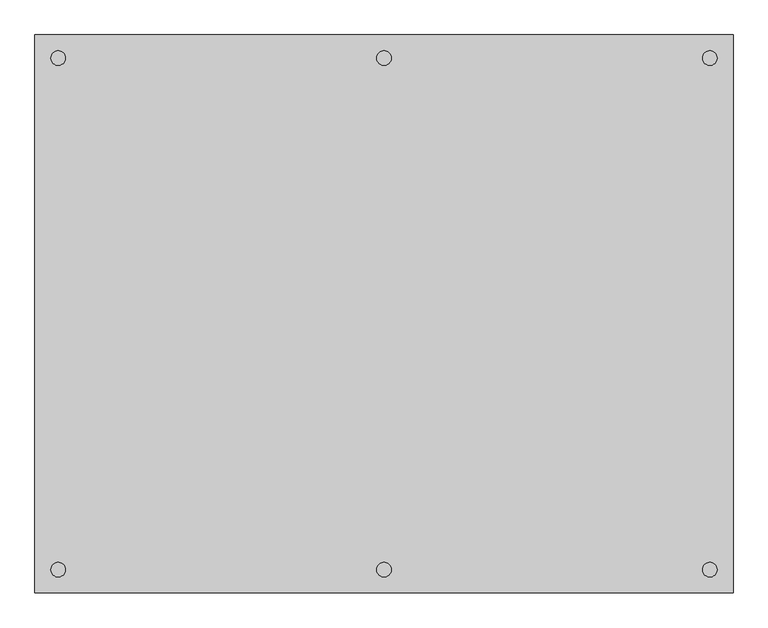
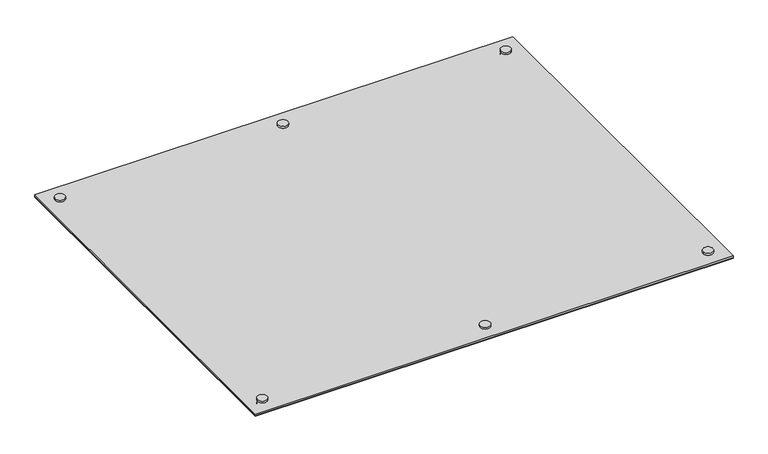
"""IFC4 building model written with IfcOpenShell, lengths in millimetres: proxy geometry."""

from ifc_helpers import new_model, si_unit, point, frame, frame_2d, origin, origin_with_axes, place, context, project, spatial, polyline, circle_curve, trimmed, segment, composite_curve, outline, extrude, source, transform, mapped, element, save


def specialty_equipment_c3b02767(model_context):
    return source(origin(), model_context, "Body", "SweptSolid", [
        extrude(outline(composite_curve([segment(trimmed(circle_curve(frame_2d((0.0, -558.8)), 15.875), [point((-15.875, -558.8))], [point((15.875, -558.8))], False, "CARTESIAN"), True, "CONTINUOUS"), segment(trimmed(circle_curve(frame_2d((0.0, -558.8)), 15.875), [point((15.875, -558.8))], [point((-15.875, -558.8))], False, "CARTESIAN"), True, "CONTINUOUS")], self_intersect=False)), frame((0.0, 0.0, 16.66875), z_axis=(0.0, 0.0, 1.0), x_axis=(1.0, 0.0, 0.0)), (0.0, 0.0, 1.0), 6.35),
        extrude(outline(composite_curve([segment(trimmed(circle_curve(frame_2d((0.0, -558.8)), 15.875), [point((-15.875, -558.8))], [point((15.875, -558.8))], False, "CARTESIAN"), True, "CONTINUOUS"), segment(trimmed(circle_curve(frame_2d((0.0, -558.8)), 15.875), [point((15.875, -558.8))], [point((-15.875, -558.8))], False, "CARTESIAN"), True, "CONTINUOUS")], self_intersect=False)), origin_with_axes(), (0.0, 0.0, 1.0), 9.525),
        extrude(outline(composite_curve([segment(trimmed(circle_curve(frame_2d((711.2, -558.8)), 15.875), [point((695.325, -558.8))], [point((727.075, -558.8))], False, "CARTESIAN"), True, "CONTINUOUS"), segment(trimmed(circle_curve(frame_2d((711.2, -558.8)), 15.875), [point((727.075, -558.8))], [point((695.325, -558.8))], False, "CARTESIAN"), True, "CONTINUOUS")], self_intersect=False)), frame((0.0, 0.0, 16.66875), z_axis=(0.0, 0.0, 1.0), x_axis=(1.0, 0.0, 0.0)), (0.0, 0.0, 1.0), 6.35),
        extrude(outline(composite_curve([segment(trimmed(circle_curve(frame_2d((711.2, -558.8)), 15.875), [point((695.325, -558.8))], [point((727.075, -558.8))], False, "CARTESIAN"), True, "CONTINUOUS"), segment(trimmed(circle_curve(frame_2d((711.2, -558.8)), 15.875), [point((727.075, -558.8))], [point((695.325, -558.8))], False, "CARTESIAN"), True, "CONTINUOUS")], self_intersect=False)), origin_with_axes(), (0.0, 0.0, 1.0), 9.525),
        extrude(outline(composite_curve([segment(trimmed(circle_curve(frame_2d((711.2, 558.8)), 15.875), [point((695.325, 558.8))], [point((727.075, 558.8))], False, "CARTESIAN"), True, "CONTINUOUS"), segment(trimmed(circle_curve(frame_2d((711.2, 558.8)), 15.875), [point((727.075, 558.8))], [point((695.325, 558.8))], False, "CARTESIAN"), True, "CONTINUOUS")], self_intersect=False)), frame((0.0, 0.0, 16.66875), z_axis=(0.0, 0.0, 1.0), x_axis=(1.0, 0.0, 0.0)), (0.0, 0.0, 1.0), 6.35),
        extrude(outline(composite_curve([segment(trimmed(circle_curve(frame_2d((711.2, 558.8)), 15.875), [point((695.325, 558.8))], [point((727.075, 558.8))], False, "CARTESIAN"), True, "CONTINUOUS"), segment(trimmed(circle_curve(frame_2d((711.2, 558.8)), 15.875), [point((727.075, 558.8))], [point((695.325, 558.8))], False, "CARTESIAN"), True, "CONTINUOUS")], self_intersect=False)), origin_with_axes(), (0.0, 0.0, 1.0), 9.525),
        extrude(outline(composite_curve([segment(trimmed(circle_curve(frame_2d((-711.2, -558.8)), 15.875), [point((-727.075, -558.8))], [point((-695.325, -558.8))], False, "CARTESIAN"), True, "CONTINUOUS"), segment(trimmed(circle_curve(frame_2d((-711.2, -558.8)), 15.875), [point((-695.325, -558.8))], [point((-727.075, -558.8))], False, "CARTESIAN"), True, "CONTINUOUS")], self_intersect=False)), frame((0.0, 0.0, 16.66875), z_axis=(0.0, 0.0, 1.0), x_axis=(1.0, 0.0, 0.0)), (0.0, 0.0, 1.0), 6.35),
        extrude(outline(composite_curve([segment(trimmed(circle_curve(frame_2d((-711.2, -558.8)), 15.875), [point((-727.075, -558.8))], [point((-695.325, -558.8))], False, "CARTESIAN"), True, "CONTINUOUS"), segment(trimmed(circle_curve(frame_2d((-711.2, -558.8)), 15.875), [point((-695.325, -558.8))], [point((-727.075, -558.8))], False, "CARTESIAN"), True, "CONTINUOUS")], self_intersect=False)), origin_with_axes(), (0.0, 0.0, 1.0), 9.525),
        extrude(outline(composite_curve([segment(trimmed(circle_curve(frame_2d((0.0, 558.8)), 15.875), [point((-15.875, 558.8))], [point((15.875, 558.8))], False, "CARTESIAN"), True, "CONTINUOUS"), segment(trimmed(circle_curve(frame_2d((0.0, 558.8)), 15.875), [point((15.875, 558.8))], [point((-15.875, 558.8))], False, "CARTESIAN"), True, "CONTINUOUS")], self_intersect=False)), frame((0.0, 0.0, 16.66875), z_axis=(0.0, 0.0, 1.0), x_axis=(1.0, 0.0, 0.0)), (0.0, 0.0, 1.0), 6.35),
        extrude(outline(composite_curve([segment(trimmed(circle_curve(frame_2d((0.0, 558.8)), 15.875), [point((-15.875, 558.8))], [point((15.875, 558.8))], False, "CARTESIAN"), True, "CONTINUOUS"), segment(trimmed(circle_curve(frame_2d((0.0, 558.8)), 15.875), [point((15.875, 558.8))], [point((-15.875, 558.8))], False, "CARTESIAN"), True, "CONTINUOUS")], self_intersect=False)), origin_with_axes(), (0.0, 0.0, 1.0), 9.525),
        extrude(outline(composite_curve([segment(trimmed(circle_curve(frame_2d((-711.2, 558.8)), 15.875), [point((-727.075, 558.8))], [point((-695.325, 558.8))], False, "CARTESIAN"), True, "CONTINUOUS"), segment(trimmed(circle_curve(frame_2d((-711.2, 558.8)), 15.875), [point((-695.325, 558.8))], [point((-727.075, 558.8))], False, "CARTESIAN"), True, "CONTINUOUS")], self_intersect=False)), frame((0.0, 0.0, 16.66875), z_axis=(0.0, 0.0, 1.0), x_axis=(1.0, 0.0, 0.0)), (0.0, 0.0, 1.0), 6.35),
        extrude(outline(composite_curve([segment(trimmed(circle_curve(frame_2d((-711.2, 558.8)), 15.875), [point((-727.075, 558.8))], [point((-695.325, 558.8))], False, "CARTESIAN"), True, "CONTINUOUS"), segment(trimmed(circle_curve(frame_2d((-711.2, 558.8)), 15.875), [point((-695.325, 558.8))], [point((-727.075, 558.8))], False, "CARTESIAN"), True, "CONTINUOUS")], self_intersect=False)), origin_with_axes(), (0.0, 0.0, 1.0), 9.525),
        extrude(outline(polyline([(-762.0, 609.6), (762.0, 609.6), (762.0, -609.6), (-762.0, -609.6), (-762.0, 609.6)])), frame((0.0, 0.0, 9.525), z_axis=(0.0, 0.0, 1.0), x_axis=(1.0, 0.0, 0.0)), (0.0, 0.0, 1.0), 0.79375),
        extrude(outline(polyline([(762.0, -609.6), (-762.0, -609.6), (-762.0, 609.6), (762.0, 609.6), (762.0, -609.6)])), frame((0.0, 0.0, 10.31875), z_axis=(0.0, 0.0, 1.0), x_axis=(1.0, 0.0, 0.0)), (0.0, 0.0, 1.0), 6.35),
    ])


if __name__ == "__main__":
    model = new_model("IFC4")
    model_context = context("Model", 3, world=origin())
    ifc_project = project(units=[si_unit("LENGTHUNIT", "METRE", prefix="MILLI")], contexts=[model_context])
    site = spatial("IfcSite", under=ifc_project)
    building = spatial("IfcBuilding", under=site)
    placement = place(None, origin())
    specialty_equipment_shape = specialty_equipment_c3b02767(model_context)
    element("IfcBuildingElementProxy", 1, Name="Specialty Equipment", at=placement, inside=building, context=model_context, shape_type="MappedRepresentation", body=[
        mapped(specialty_equipment_shape, transform((0.0, 0.0, 0.0), x_axis=(1.0, 0.0, 0.0), y_axis=(0.0, 1.0, 0.0), z_axis=(0.0, 0.0, 1.0))),
    ])
    save(model, "model.ifc")
